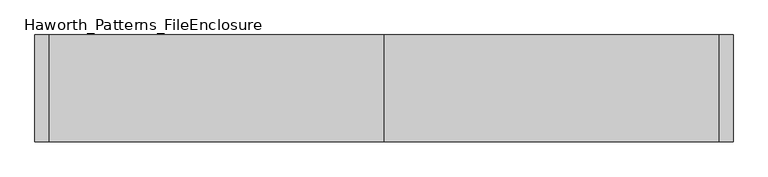
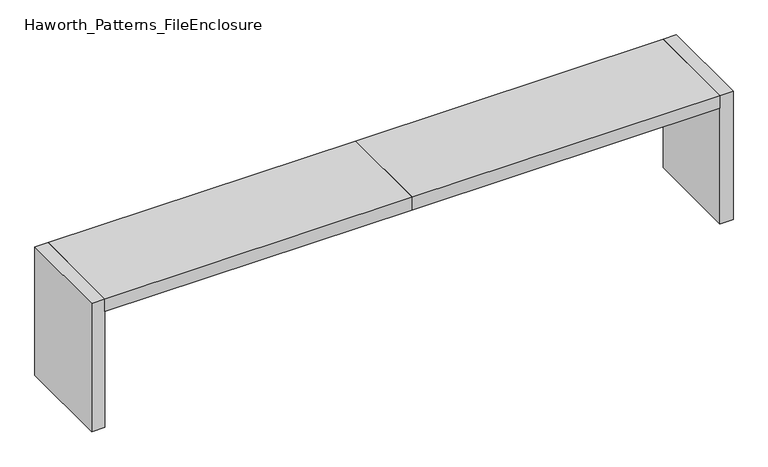
"""IFC4 building model written with IfcOpenShell, lengths in millimetres: furniture geometry, Haworth_Patterns_FileEnclosure."""

import ifcopenshell
import ifcopenshell.guid

model = None  # the IFC model being written
_history = None  # IfcOwnerHistory: only IFC2X3 demands one
_inside = {}  # id of a spatial element -> (the spatial element, [elements in it])
_under = {}  # id of a project, library or spatial element -> (it, [spatial elements below it])
_declared = {}  # id of a project -> (the project, [libraries it declares])
_typed = {}  # id of a type object -> (the type object, [elements of that type])
_made_of = {}  # id of a material, layer set ... -> (it, [elements and type objects made of it])


def new_model(schema):
    """Start an empty IFC model of exactly this schema.

    Asked for "IFC4X3", IfcOpenShell would pick the latest addendum, in which some entities
    have other attributes; the version numbers below select the first issue.
    IFC2X3 requires an IfcOwnerHistory on every rooted entity: one is made here for all.
    """
    global model, _history
    if schema == "IFC4X3":
        model = ifcopenshell.file(schema_version=(4, 3, 0, 0))
    else:
        model = ifcopenshell.file(schema=schema)
    _inside.clear()
    _under.clear()
    _declared.clear()
    _typed.clear()
    _made_of.clear()
    _history = None
    if model.schema == "IFC2X3":
        org = make("IfcOrganization", Name="unknown")
        user = make(
            "IfcPersonAndOrganization",
            ThePerson=make("IfcPerson", FamilyName="unknown"),
            TheOrganization=org,
        )
        app = make(
            "IfcApplication",
            ApplicationDeveloper=org,
            Version="unknown",
            ApplicationFullName="unknown",
            ApplicationIdentifier="unknown",
        )
        _history = make(
            "IfcOwnerHistory",
            OwningUser=user,
            OwningApplication=app,
            ChangeAction="ADDED",
            CreationDate=0,
        )
    return model


def make(cls, **values):
    """One entity of the class cls with the attributes given. An attribute that is None is left unset."""
    return model.create_entity(
        cls, **{name: value for name, value in values.items() if value is not None}
    )


def rooted(cls, **values):
    """An entity with a GlobalId (a new one), such as an element, a storey or a relation."""
    return make(cls, GlobalId=ifcopenshell.guid.new(), OwnerHistory=_history, **values)


def si_unit(unit_type, name, prefix=None):
    """IfcSIUnit, for example si_unit("LENGTHUNIT", "METRE", prefix="MILLI")."""
    return make("IfcSIUnit", UnitType=unit_type, Prefix=prefix, Name=name)


def assignment(units):
    """IfcUnitAssignment: the units of a project."""
    return None if units is None else make("IfcUnitAssignment", Units=units)


def point(xyz):
    """IfcCartesianPoint."""
    return None if xyz is None else make("IfcCartesianPoint", Coordinates=xyz)


def direction(xyz):
    """IfcDirection."""
    return None if xyz is None else make("IfcDirection", DirectionRatios=xyz)


def frame(location, z_axis=None, x_axis=None):
    """IfcAxis2Placement3D, a coordinate frame: its origin and axes. An axis left out is left unset."""
    return make(
        "IfcAxis2Placement3D",
        Location=point(location),
        Axis=direction(z_axis),
        RefDirection=direction(x_axis),
    )


def origin():
    """The frame at (0, 0, 0) with its axes left unset."""
    return frame((0.0, 0.0, 0.0))


def origin_with_axes():
    """The frame at (0, 0, 0) with the z axis (0, 0, 1) and the x axis (1, 0, 0) written out."""
    return frame((0.0, 0.0, 0.0), z_axis=(0.0, 0.0, 1.0), x_axis=(1.0, 0.0, 0.0))


def place(relative_to, where):
    """IfcLocalPlacement: puts the frame where relative to a parent placement (None: the world)."""
    return make(
        "IfcLocalPlacement", PlacementRelTo=relative_to, RelativePlacement=where
    )


def context(
    kind, dimensions, precision=None, world=None, true_north=None, identifier=None
):
    """IfcGeometricRepresentationContext, for example the 3D "Model" context."""
    return make(
        "IfcGeometricRepresentationContext",
        ContextIdentifier=identifier,
        ContextType=kind,
        CoordinateSpaceDimension=dimensions,
        Precision=precision,
        WorldCoordinateSystem=world,
        TrueNorth=true_north,
    )


def project(units=None, contexts=None):
    """IfcProject with its units and contexts."""
    return rooted(
        "IfcProject",
        Name="project",
        RepresentationContexts=contexts,
        UnitsInContext=assignment(units),
    )


def spatial(cls, under=None, at=None, **own):
    """A site, building, storey or space (cls), placed at a placement, below another one or the project."""
    s = rooted(cls, ObjectPlacement=at, **own)
    if under is not None:
        _under.setdefault(under.id(), (under, []))[1].append(s)
    return s


def polyline(points):
    """IfcPolyline through the points."""
    return make("IfcPolyline", Points=[point(p) for p in points])


def outline(outer, holes=None, kind="AREA"):
    """IfcArbitraryClosedProfileDef: a profile drawn as a closed curve; with holes, ...WithVoids."""
    if holes is None:
        return make("IfcArbitraryClosedProfileDef", ProfileType=kind, OuterCurve=outer)
    return make(
        "IfcArbitraryProfileDefWithVoids",
        ProfileType=kind,
        OuterCurve=outer,
        InnerCurves=holes,
    )


def extrude(swept, where, along, depth):
    """IfcExtrudedAreaSolid: the profile swept, set in the frame where, extruded along a direction by depth."""
    return make(
        "IfcExtrudedAreaSolid",
        SweptArea=swept,
        Position=where,
        ExtrudedDirection=direction(along),
        Depth=depth,
    )


def shape(context_of_items, identifier, shape_type, items):
    """IfcShapeRepresentation: the items that make up one representation, for example the "Body"."""
    return make(
        "IfcShapeRepresentation",
        ContextOfItems=context_of_items,
        RepresentationIdentifier=identifier,
        RepresentationType=shape_type,
        Items=items,
    )


def source(mapping_origin, context_of_items, identifier, shape_type, items):
    """IfcRepresentationMap: a shape defined once, which mapped items show again and again."""
    return make(
        "IfcRepresentationMap",
        MappingOrigin=mapping_origin,
        MappedRepresentation=shape(context_of_items, identifier, shape_type, items),
    )


def transform(
    local_origin,
    x_axis=None,
    y_axis=None,
    z_axis=None,
    scale=None,
    scale2=None,
    scale3=None,
    uniform=True,
):
    """IfcCartesianTransformationOperator3D, or its non-uniform kind. x_axis, y_axis, z_axis: its Axis1, 2, 3."""
    if uniform:
        return make(
            "IfcCartesianTransformationOperator3D",
            Axis1=direction(x_axis),
            Axis2=direction(y_axis),
            LocalOrigin=point(local_origin),
            Scale=scale,
            Axis3=direction(z_axis),
        )
    return make(
        "IfcCartesianTransformationOperator3DnonUniform",
        Axis1=direction(x_axis),
        Axis2=direction(y_axis),
        LocalOrigin=point(local_origin),
        Scale=scale,
        Axis3=direction(z_axis),
        Scale2=scale2,
        Scale3=scale3,
    )


def mapped(mapping_source, mapping_target):
    """IfcMappedItem: shows the shape of a source again, moved by a transform."""
    return make(
        "IfcMappedItem", MappingSource=mapping_source, MappingTarget=mapping_target
    )


def made_of(thing, what):
    """Note that an element or type object is made of a material, layer set ...; save() writes the relation."""
    if what is not None:
        _made_of.setdefault(what.id(), (what, []))[1].append(thing)
    return thing


def element(
    cls,
    number,
    at=None,
    inside=None,
    cuts=None,
    type_object=None,
    material=None,
    context=None,
    identifier="Body",
    shape_type=None,
    held_by="IfcProductDefinitionShape",
    body=None,
    shapes=None,
    **own,
):
    """One element of the class cls, such as IfcWall. Its Tag is "e" and its number.

    at: its placement. inside: the storey or other place that contains it. cuts: it is an
    opening in that element (IfcRelVoidsElement). A single representation is given by context,
    identifier, shape_type and body (its items); several are given by shapes. held_by: the class
    of the entity that holds the representations. save() writes the other relations.
    """
    e = rooted(cls, Tag="e%d" % number, ObjectPlacement=at, **own)
    if body is not None:
        shapes = [shape(context, identifier, shape_type, body)]
    if shapes is not None:
        e.Representation = make(held_by, Representations=shapes)
    if inside is not None:
        _inside.setdefault(inside.id(), (inside, []))[1].append(e)
    if cuts is not None:
        rooted(
            "IfcRelVoidsElement", RelatingBuildingElement=cuts, RelatedOpeningElement=e
        )
    if type_object is not None:
        _typed.setdefault(type_object.id(), (type_object, []))[1].append(e)
    return made_of(e, material)


def aggregate(whole, parts):
    """IfcRelAggregates: a whole, such as a stair, and the parts it consists of."""
    return rooted("IfcRelAggregates", RelatingObject=whole, RelatedObjects=parts)


def save(model, path):
    """Write the relations noted so far, then the file.

    IfcRelAggregates (storeys below a building ...), IfcRelContainedInSpatialStructure (elements
    in a storey), IfcRelDefinesByType, IfcRelAssociatesMaterial and IfcRelDeclares: one each for
    every whole, place, type object, material and project.
    """
    for whole, parts in _under.values():
        aggregate(whole, parts)
    for where, things in _inside.values():
        rooted(
            "IfcRelContainedInSpatialStructure",
            RelatedElements=things,
            RelatingStructure=where,
        )
    for kind, things in _typed.values():
        rooted("IfcRelDefinesByType", RelatedObjects=things, RelatingType=kind)
    for what, things in _made_of.values():
        rooted("IfcRelAssociatesMaterial", RelatedObjects=things, RelatingMaterial=what)
    for by, libraries in _declared.values():
        rooted("IfcRelDeclares", RelatingContext=by, RelatedDefinitions=libraries)
    model.write(path)


def haworth_patterns_fileenclosure_049ecc52(model_context):
    return source(origin(), model_context, "Body", "SweptSolid", [
        extrude(outline(polyline([(0.0, 0.0), (1752.6, 0.0), (1752.6, -558.8), (0.0, -558.8), (0.0, 0.0)])), frame((0.0, 0.0, 698.5), z_axis=(0.0, 0.0, 1.0), x_axis=(1.0, 0.0, 0.0)), (0.0, 0.0, 1.0), 76.2),
        extrude(outline(polyline([(0.0, 0.0), (0.0, -558.8), (-1752.6, -558.8), (-1752.6, 0.0), (0.0, 0.0)])), frame((0.0, 0.0, 698.5), z_axis=(0.0, 0.0, 1.0), x_axis=(1.0, 0.0, 0.0)), (0.0, 0.0, 1.0), 76.2),
        extrude(outline(polyline([(1752.6, 0.0), (1828.8, 0.0), (1828.8, -558.8), (1752.6, -558.8), (1752.6, 0.0)])), origin_with_axes(), (0.0, 0.0, 1.0), 774.7),
        extrude(outline(polyline([(-1752.6, 0.0), (-1752.6, -558.8), (-1828.8, -558.8), (-1828.8, 0.0), (-1752.6, 0.0)])), origin_with_axes(), (0.0, 0.0, 1.0), 774.7),
    ])


if __name__ == "__main__":
    model = new_model("IFC4")
    model_context = context("Model", 3, world=origin())
    ifc_project = project(units=[si_unit("LENGTHUNIT", "METRE", prefix="MILLI")], contexts=[model_context])
    site = spatial("IfcSite", under=ifc_project)
    building = spatial("IfcBuilding", under=site)
    placement = place(None, origin())
    haworth_patterns_fileenclosure_shape = haworth_patterns_fileenclosure_049ecc52(model_context)
    element("IfcFurniture", 1, ObjectType="Haworth_Patterns_FileEnclosure", at=placement, inside=building, context=model_context, shape_type="MappedRepresentation", body=[
        mapped(haworth_patterns_fileenclosure_shape, transform((0.0, 0.0, 0.0), x_axis=(1.0, 0.0, 0.0), y_axis=(0.0, 1.0, 0.0), z_axis=(0.0, 0.0, 1.0))),
    ])
    save(model, "model.ifc")
